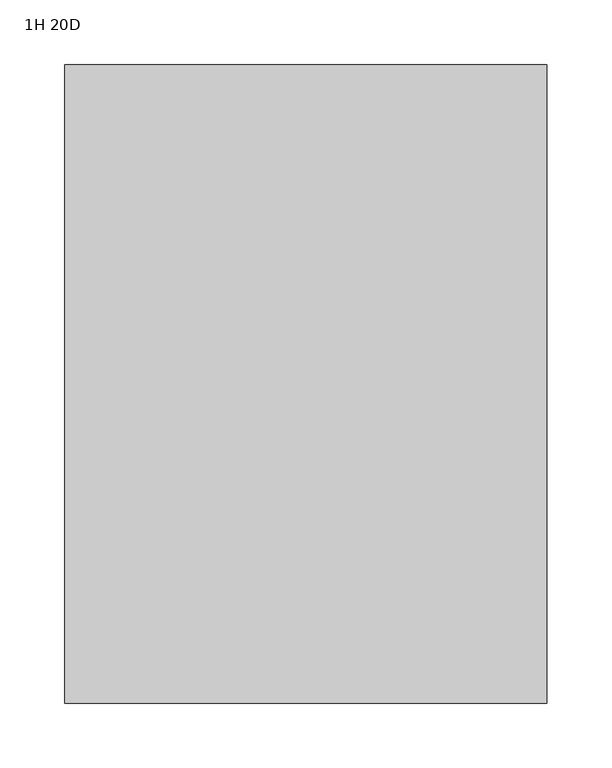
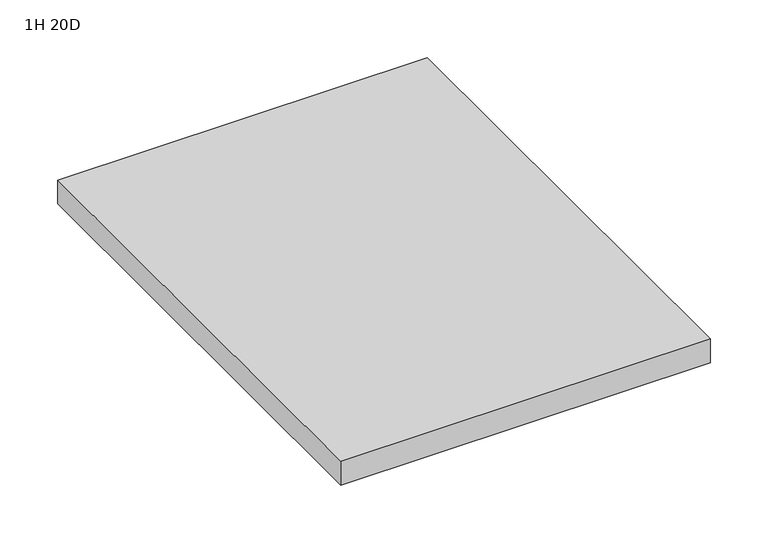
"""IFC4 building model written with IfcOpenShell, lengths in millimetres: furniture geometry, 1H 20D."""

from ifc_helpers import new_model, si_unit, frame, origin, place, context, project, spatial, polyline, outline, extrude, source, transform, mapped, element, save


def furniture_1h_20d_f657929a(model_context):
    return source(origin(), model_context, "Body", "SweptSolid", [
        extrude(outline(polyline([(-288.925, 440.563), (-288.925, -51.562), (-660.4, -51.562), (-660.4, 440.563), (-288.925, 440.563)])), frame((0.0, 0.0, 542.99866), z_axis=(0.0, 0.0, 1.0), x_axis=(1.0, 0.0, 0.0)), (0.0, 0.0, 1.0), 25.4),
    ])


if __name__ == "__main__":
    model = new_model("IFC4")
    model_context = context("Model", 3, world=origin())
    ifc_project = project(units=[si_unit("LENGTHUNIT", "METRE", prefix="MILLI")], contexts=[model_context])
    site = spatial("IfcSite", under=ifc_project)
    building = spatial("IfcBuilding", under=site)
    placement = place(None, origin())
    furniture_1h_20d_shape = furniture_1h_20d_f657929a(model_context)
    element("IfcFurniture", 1, ObjectType="1H 20D", at=placement, inside=building, context=model_context, shape_type="MappedRepresentation", body=[
        mapped(furniture_1h_20d_shape, transform((0.0, 0.0, 0.0), x_axis=(1.0, 0.0, 0.0), y_axis=(0.0, 1.0, 0.0), z_axis=(0.0, 0.0, 1.0))),
    ])
    save(model, "model.ifc")
